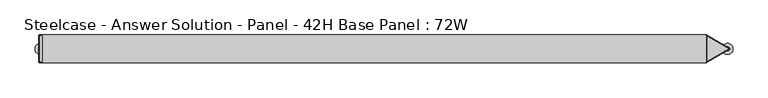
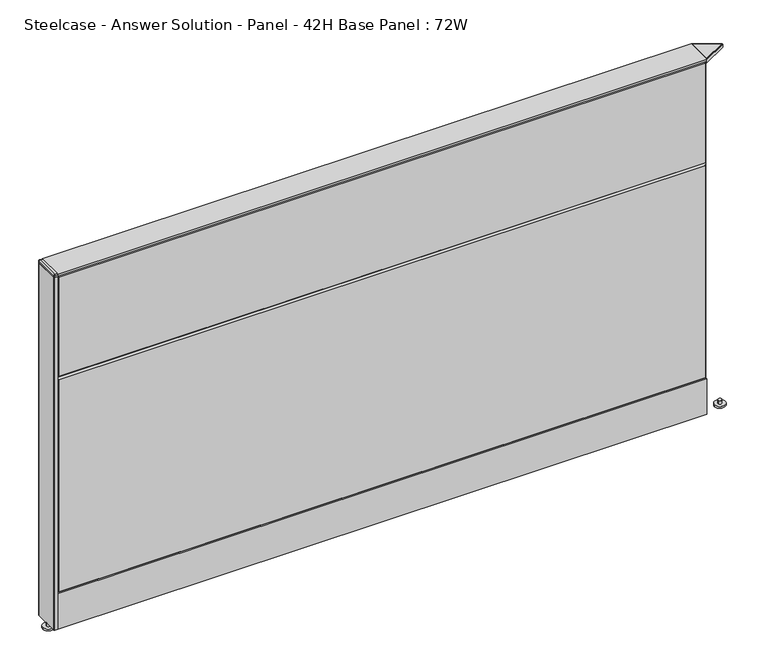
"""IFC4 building model written with IfcOpenShell, lengths in millimetres: furniture geometry, Steelcase - Answer Solution - Panel - 42H Base Panel : 72W."""

from ifc_helpers import new_model, si_unit, point, frame, frame_2d, origin, place, context, project, spatial, polyline, circle_curve, ellipse_curve, trimmed, segment, composite_curve, outline, extrude, faceted_brep, source, transform, mapped, element, save
from ifc_brep_helpers import plane_surface, cylinder_surface, spline_surface, advanced_brep


def steelcase_answer_solution_panel_42h_base_panel_72w_900db309(model_context):
    return source(origin(), model_context, "Body", "SolidModel", [
        extrude(outline(composite_curve([segment(trimmed(circle_curve(frame_2d((972.82, 0.0039657)), 5.08), [point((977.9, 0.0039657))], [point((967.74, 0.0039657))], False, "CARTESIAN"), True, "CONTINUOUS"), segment(trimmed(circle_curve(frame_2d((972.82, 0.0039657)), 5.08), [point((967.74, 0.0039657))], [point((977.9, 0.0039657))], False, "CARTESIAN"), True, "CONTINUOUS")], self_intersect=False)), frame((0.0, 0.0, 5.0799671), z_axis=(0.0, 0.0, 1.0), x_axis=(1.0, 0.0, 0.0)), (0.0, 0.0, 1.0), 10.414),
        extrude(outline(composite_curve([segment(trimmed(circle_curve(frame_2d((972.82, 0.0039657)), 15.24), [point((988.06, 0.0039657))], [point((957.58, 0.0039657))], False, "CARTESIAN"), True, "CONTINUOUS"), segment(trimmed(circle_curve(frame_2d((972.82, 0.0039657)), 15.24), [point((957.58, 0.0039657))], [point((988.06, 0.0039657))], False, "CARTESIAN"), True, "CONTINUOUS")], self_intersect=False)), frame((0.0, 0.0, -3.29e-05), z_axis=(0.0, 0.0, 1.0), x_axis=(1.0, 0.0, 0.0)), (0.0, 0.0, 1.0), 5.08),
        extrude(outline(polyline([(976.5342999, -0.0350529), (916.276658, -34.82482), (916.276658, 34.7718495), (976.5342999, -0.0350529)])), frame((0.0, 0.0, 1071.2704), z_axis=(0.0, 0.0, 1.0), x_axis=(1.0, 0.0, 0.0)), (0.0, 0.0, 1.0), 1.8795671),
        extrude(outline(polyline([(914.3716604, 38.072219), (980.3435962, -0.035459), (914.3716604, -38.1243768), (914.3716604, 38.072219)])), frame((0.0, 0.0, 1062.9899671), z_axis=(0.0, 0.0, 1.0), x_axis=(1.0, 0.0, 0.0)), (0.0, 0.0, 1.0), 8.2804329),
        advanced_brep(
        [(916.2766603, -34.82482, 1073.1499671), (914.3718302, -38.1240827, 1071.2704), (980.3432567, -0.035459, 1071.2704), (976.5342999, -0.0350529, 1073.1499671), (916.2766603, -34.82482, 1071.2704), (976.5342999, -0.0350529, 1071.2704), (914.3718277, 38.0719249, 1071.2704), (916.276658, 34.7718495, 1073.1499671), (916.276658, 34.7718495, 1071.2704)],
        [
            (0, 1, ellipse_curve(frame((916.2766603, -34.82482, 1071.2449671), z_axis=(0.8660254202191697, -0.49999997153420983, 0.0), x_axis=(-0.4999999715342096, -0.8660254202191697, 0.0)), 3.81, 1.905)),
            (1, 2),
            (2, 3, ellipse_curve(frame((976.5342999, -0.0350529, 1071.2449671), z_axis=(-0.00010661642103887043, -0.9999999943164692, 0.0), x_axis=(-0.9999999943164695, 0.00010661642103874849, 0.0)), 3.8092964, 1.905)),
            (3, 0),
            (4, 0),
            (3, 5),
            (5, 4),
            (2, 6),
            (6, 7, ellipse_curve(frame((916.276658, 34.7718495, 1071.2449671), z_axis=(0.8660787070728757, 0.49990766462915537, 0.0), x_axis=(0.4999076646291552, -0.8660787070728757, 0.0)), 3.8107039, 1.905)),
            (7, 3),
            (7, 8),
            (8, 5),
            (1, 6),
            (8, 4),
            (0, 7),
        ],
        [
            cylinder_surface(frame((916.2120399, -34.8621286, 1071.2449671), z_axis=(-0.8660253873497072, -0.5000000284657887, 0.0), x_axis=(-0.5000000284657887, 0.8660253873497072, 0.0)), 1.905),
            plane_surface(frame((916.2766603, -34.82482, 1073.1499671), z_axis=(-0.5000000284657891, 0.866025387349707, 0.0), x_axis=(0.866025387349707, 0.5000000284657891, 0.0))),
            cylinder_surface(frame((976.5988965, -0.0723661, 1071.2449671), z_axis=(0.8659187512348773, -0.5001846821523336, 0.0), x_axis=(-0.5001846821523336, -0.8659187512348773, 0.0)), 1.905),
            plane_surface(frame((976.5342999, -0.0350529, 1073.1499671), z_axis=(-0.5001846821523332, -0.8659187512348774, 0.0), x_axis=(-0.8659187512348774, 0.5001846821523332, 0.0))),
            plane_surface(frame((916.276658, 34.7718495, 1071.2704), z_axis=(0.0, 0.0, -1.0000000000000002), x_axis=(3.2869464482980864e-08, -0.9999999999999996, 0.0))),
            cylinder_surface(frame((916.276658, 34.8464851, 1071.2449671), z_axis=(-3.286946427295142e-08, 0.9999999999999996, 0.0), x_axis=(0.9999999999999996, 3.286946427295142e-08, 0.0)), 1.905),
            plane_surface(frame((916.276658, 34.7718495, 1073.1499671), z_axis=(0.9999999999999996, 3.2869464482980864e-08, 0.0), x_axis=(3.2869464482980864e-08, -0.9999999999999996, 0.0))),
        ],
        [
            (0, [[1, 2, 3, 4]]),
            (1, [[5, -4, 6, 7]]),
            (2, [[-3, 8, 9, 10]]),
            (3, [[-6, -10, 11, 12]]),
            (4, [[13, -8, -2], [-7, -12, 14]]),
            (5, [[-9, -13, -1, 15]]),
            (6, [[-11, -15, -5, -14]]),
        ],
    ),
        extrude(outline(composite_curve([segment(trimmed(circle_curve(frame_2d((-919.48, 0.0039657)), 5.08), [point((-924.56, 0.0039657))], [point((-914.4, 0.0039657))], False, "CARTESIAN"), True, "CONTINUOUS"), segment(trimmed(circle_curve(frame_2d((-919.48, 0.0039657)), 5.08), [point((-914.4, 0.0039657))], [point((-924.56, 0.0039657))], False, "CARTESIAN"), True, "CONTINUOUS")], self_intersect=False)), frame((0.0, 0.0, 5.0799671), z_axis=(0.0, 0.0, 1.0), x_axis=(1.0, 0.0, 0.0)), (0.0, 0.0, 1.0), 10.414),
        extrude(outline(composite_curve([segment(trimmed(circle_curve(frame_2d((-919.48, 0.0039657)), 15.24), [point((-934.72, 0.0039657))], [point((-904.24, 0.0039657))], False, "CARTESIAN"), True, "CONTINUOUS"), segment(trimmed(circle_curve(frame_2d((-919.48, 0.0039657)), 15.24), [point((-904.24, 0.0039657))], [point((-934.72, 0.0039657))], False, "CARTESIAN"), True, "CONTINUOUS")], self_intersect=False)), frame((0.0, 0.0, -3.29e-05), z_axis=(0.0, 0.0, 1.0), x_axis=(1.0, 0.0, 0.0)), (0.0, 0.0, 1.0), 5.08),
        advanced_brep(
        [(-921.7406, -35.2766149, 1073.1499671), (-914.4, -35.2766149, 1073.1499671), (-914.4, 35.2845851, 1073.1499671), (-921.7406, 35.2845851, 1073.1499671), (-922.6151197, -38.0960149, 1071.2704), (-924.56, -36.1511346, 1071.2704), (-924.56, 36.2122548, 1071.2704), (-922.6682696, 38.1039851, 1071.2704), (-914.4, 38.1039851, 1071.2704), (-914.4, -38.0960149, 1071.2704)],
        [
            (0, 1),
            (1, 2),
            (2, 3),
            (3, 0),
            (4, 0),
            (0, 5),
            (5, 4, circle_curve(frame((-922.6151197, -36.1511346, 1071.2704), z_axis=(0.0, 0.0, 1.0), x_axis=(0.0, 1.0, 0.0)), 1.9448803)),
            (3, 6),
            (6, 5),
            (3, 7),
            (7, 6, circle_curve(frame((-922.6682696, 36.2122548, 1071.2704), z_axis=(0.0, 0.0, 1.0), x_axis=(0.0, 1.0, 0.0)), 1.8917304)),
            (2, 8),
            (8, 7),
            (1, 9),
            (9, 8),
            (4, 9),
        ],
        [
            plane_surface(frame((-918.0703, 0.0039851, 1073.1499671), z_axis=(0.0, 0.0, 1.0), x_axis=(0.0, 1.0, 0.0))),
            spline_surface(1, 2, [[(-922.6151197, -38.0960149, 1071.2704), (-924.5600000000001, -38.09601490000009, 1071.2704), (-924.56, -36.1511346, 1071.2704)], [(-921.7406, -35.2766149, 1073.1499671), (-921.7406, -35.2766149, 1073.1499671), (-921.7406, -35.2766149, 1073.1499671)]], [2, 2], [3, 3], [0.0, 1.0], [0.0, 1.0], weights=[[1.0, 0.7071067811865307, 1.0], [1.0, 0.7071067811865307, 1.0]]),
            plane_surface(frame((-924.56, 0.0305601, 1071.2704), z_axis=(-0.554693465401931, 0.0, 0.832054781514052), x_axis=(0.0, 1.0, 0.0))),
            spline_surface(1, 2, [[(-924.56, 36.2122548, 1071.2704), (-924.5600000999999, 38.10398519999991, 1071.2704), (-922.6682696, 38.1039851, 1071.2704)], [(-921.7406, 35.2845851, 1073.1499671), (-921.7406, 35.2845851, 1073.1499671), (-921.7406, 35.2845851, 1073.1499671)]], [2, 2], [3, 3], [0.0, 1.0], [0.0, 1.0], weights=[[1.0, 0.7071067624971474, 1.0], [1.0, 0.7071067624971474, 1.0]]),
            plane_surface(frame((-918.5341348, 38.1039851, 1071.2704), z_axis=(0.0, 0.5546934654026133, 0.8320547815135972), x_axis=(1.0, 0.0, 0.0))),
            plane_surface(frame((-914.4, 0.0039851, 1071.2704), z_axis=(1.0, 0.0, 0.0), x_axis=(0.0, -1.0, 0.0))),
            plane_surface(frame((-918.5075599, -38.0960149, 1071.2704), z_axis=(0.0, -0.5546934654017167, 0.8320547815141949), x_axis=(-1.0, 0.0, 0.0))),
            plane_surface(frame((-920.5338982, 0.0128434, 1071.2704), z_axis=(0.0, 0.0, -1.0), x_axis=(0.0, 1.0, 0.0))),
        ],
        [
            (0, [[1, 2, 3, 4]]),
            (1, [[5, 6, 7]]),
            (2, [[-6, -4, 8, 9]]),
            (3, [[-8, 10, 11]]),
            (4, [[-10, -3, 12, 13]]),
            (5, [[-12, -2, 14, 15]]),
            (6, [[-14, -1, -5, 16]]),
            (7, [[-7, -9, -11, -13, -15, -16]]),
        ],
    ),
        extrude(outline(composite_curve([segment(trimmed(circle_curve(frame_2d((-922.6682696, 36.2122548)), 1.8917304), [point((-924.56, 36.2122548))], [point((-922.6682696, 38.1039851))], False, "CARTESIAN"), True, "CONTINUOUS"), segment(polyline([(-922.6682696, 38.1039851), (-914.4, 38.1039851), (-914.4, -38.0960149), (-922.6151197, -38.0960149)]), True, "CONTINUOUS"), segment(trimmed(circle_curve(frame_2d((-922.6151197, -36.1511346)), 1.9448803), [point((-922.6151197, -38.0960149))], [point((-924.56, -36.1511346))], False, "CARTESIAN"), True, "CONTINUOUS"), segment(polyline([(-924.56, -36.1511346), (-924.56, 36.2122548)]), True, "CONTINUOUS")], self_intersect=False)), frame((0.0, 0.0, 1065.8348), z_axis=(0.0, 0.0, 1.0), x_axis=(1.0, 0.0, 0.0)), (0.0, 0.0, 1.0), 5.4356),
        extrude(outline(composite_curve([segment(trimmed(circle_curve(frame_2d((-922.6879058, 36.2318909)), 1.8720942), [point((-924.56, 36.2318909))], [point((-922.6879058, 38.1039851))], False, "CARTESIAN"), True, "CONTINUOUS"), segment(polyline([(-922.6879058, 38.1039851), (-914.4, 38.1039851), (-914.4, -38.0960149), (-922.6193552, -38.0960149)]), True, "CONTINUOUS"), segment(trimmed(circle_curve(frame_2d((-922.6193552, -36.15537)), 1.9406448), [point((-922.6193552, -38.0960149))], [point((-924.56, -36.15537))], False, "CARTESIAN"), True, "CONTINUOUS"), segment(polyline([(-924.56, -36.15537), (-924.56, 36.2318909)]), True, "CONTINUOUS")], self_intersect=False)), frame((0.0, 0.0, 15.4939671), z_axis=(0.0, 0.0, 1.0), x_axis=(1.0, 0.0, 0.0)), (0.0, 0.0, 1.0), 1050.3408329),
        faceted_brep([(-909.574, 38.1635011, 1061.974), (909.574, 38.1635011, 1061.974), (909.574, 38.1635011, 766.826), (-909.574, 38.1635011, 766.826), (-914.4, 33.3375011, 1066.8), (-914.4, 33.3375011, 762.0), (914.4, 33.3375011, 762.0), (914.4, 33.3375011, 1066.8)], [[[0, 1, 2, 3]], [[4, 5, 6, 7]], [[4, 7, 1, 0]], [[7, 6, 2, 1]], [[6, 5, 3, 2]], [[5, 4, 0, 3]]]),
        faceted_brep([(-909.574, 38.1635011, 757.174), (909.574, 38.1635011, 757.174), (909.574, 38.1635011, 125.476), (-909.574, 38.1635011, 125.476), (-914.4, 33.3375011, 762.0), (-914.4, 33.3375011, 120.65), (914.4, 33.3375011, 120.65), (914.4, 33.3375011, 762.0)], [[[0, 1, 2, 3]], [[4, 5, 6, 7]], [[4, 7, 1, 0]], [[7, 6, 2, 1]], [[6, 5, 3, 2]], [[5, 4, 0, 3]]]),
        faceted_brep([(909.574, -38.1635011, 1061.974), (-909.574, -38.1635011, 1061.974), (-909.574, -38.1635011, 766.826), (909.574, -38.1635011, 766.826), (914.4, -33.3375011, 1066.8), (914.4, -33.3375011, 762.0), (-914.4, -33.3375011, 762.0), (-914.4, -33.3375011, 1066.8)], [[[0, 1, 2, 3]], [[4, 5, 6, 7]], [[4, 7, 1, 0]], [[7, 6, 2, 1]], [[6, 5, 3, 2]], [[5, 4, 0, 3]]]),
        faceted_brep([(909.574, -38.1635011, 757.174), (-909.574, -38.1635011, 757.174), (-909.574, -38.1635011, 125.476), (909.574, -38.1635011, 125.476), (914.4, -33.3375011, 762.0), (914.4, -33.3375011, 120.65), (-914.4, -33.3375011, 120.65), (-914.4, -33.3375011, 762.0)], [[[0, 1, 2, 3]], [[4, 5, 6, 7]], [[4, 7, 1, 0]], [[7, 6, 2, 1]], [[6, 5, 3, 2]], [[5, 4, 0, 3]]]),
        extrude(outline(polyline([(914.4, 38.1000194), (914.4, -38.1000194), (-914.4, -38.1000194), (-914.4, 38.1000194), (914.4, 38.1000194)])), frame((0.0, 0.0, 1066.8), z_axis=(0.0, 0.0, 1.0), x_axis=(1.0, 0.0, 0.0)), (0.0, 0.0, 1.0), 6.35),
        extrude(outline(polyline([(25.4000011, 119.8575157), (25.4000011, 120.65), (38.1000194, 120.65), (38.1000194, 15.494), (37.3075215, 15.494), (37.3075215, 119.8575157), (25.4000011, 119.8575157)])), frame((-914.4, 0.0, 0.0), z_axis=(1.0, 0.0, 0.0), x_axis=(0.0, 1.0, 0.0)), (0.0, 0.0, 1.0), 1828.8),
        extrude(outline(polyline([(-25.4000011, 119.8575157), (-37.3075215, 119.8575157), (-37.3075215, 15.494), (-38.1000194, 15.494), (-38.1000194, 120.65), (-25.4000011, 120.65), (-25.4000011, 119.8575157)])), frame((-914.4, 0.0, 0.0), z_axis=(1.0, 0.0, 0.0), x_axis=(0.0, 1.0, 0.0)), (0.0, 0.0, 1.0), 1828.8),
    ])


if __name__ == "__main__":
    model = new_model("IFC4")
    model_context = context("Model", 3, world=origin())
    ifc_project = project(units=[si_unit("LENGTHUNIT", "METRE", prefix="MILLI")], contexts=[model_context])
    site = spatial("IfcSite", under=ifc_project)
    building = spatial("IfcBuilding", under=site)
    placement = place(None, origin())
    steelcase_answer_solution_panel_42h_base_panel_72w_shape = steelcase_answer_solution_panel_42h_base_panel_72w_900db309(model_context)
    element("IfcFurniture", 1, ObjectType="Steelcase - Answer Solution - Panel - 42H Base Panel : 72W", at=placement, inside=building, context=model_context, shape_type="MappedRepresentation", body=[
        mapped(steelcase_answer_solution_panel_42h_base_panel_72w_shape, transform((0.0, 0.0, 0.0), x_axis=(1.0, 0.0, 0.0), y_axis=(0.0, 1.0, 0.0), z_axis=(0.0, 0.0, 1.0))),
    ])
    save(model, "model.ifc")
